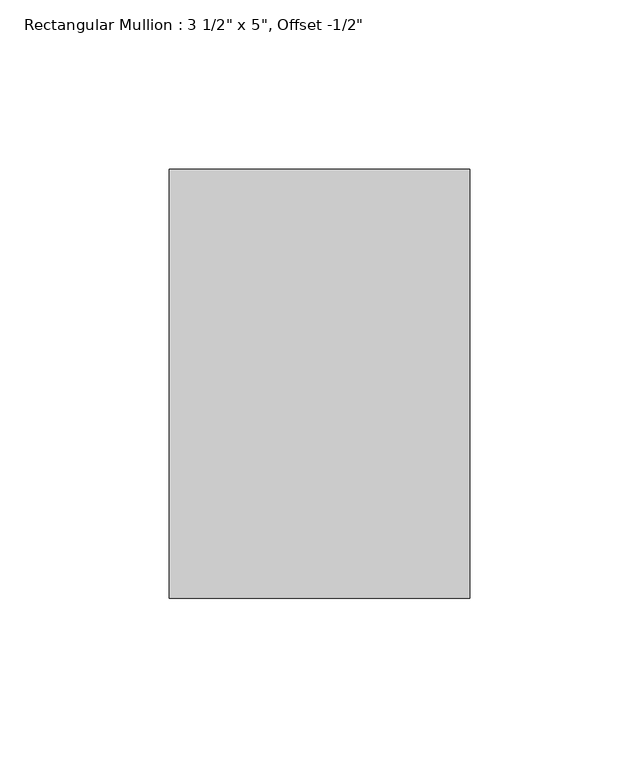
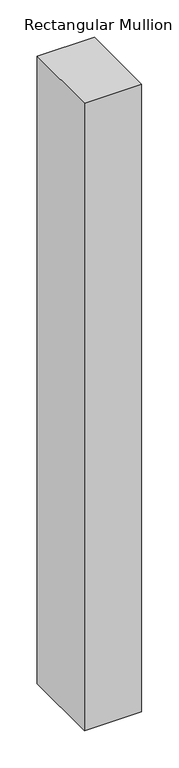
"""IFC4 building model written with IfcOpenShell, lengths in millimetres: member geometry."""

from ifc_helpers import new_model, si_unit, frame, origin, place, context, project, spatial, polyline, outline, extrude, source, transform, mapped, element, save


def member_286d6c0b(model_context):
    return source(origin(), model_context, "Body", "SweptSolid", [
        extrude(outline(polyline([(0.0, 76.2), (0.0, -50.8), (-88.9, -50.8), (-88.9, 76.2), (0.0, 76.2)])), frame((0.0, 0.0, -1028.7), z_axis=(0.0, 0.0, 1.0), x_axis=(1.0, 0.0, 0.0)), (0.0, 0.0, 1.0), 1028.7),
    ])


if __name__ == "__main__":
    model = new_model("IFC4")
    model_context = context("Model", 3, world=origin())
    ifc_project = project(units=[si_unit("LENGTHUNIT", "METRE", prefix="MILLI")], contexts=[model_context])
    site = spatial("IfcSite", under=ifc_project)
    building = spatial("IfcBuilding", under=site)
    placement = place(None, origin())
    member_shape = member_286d6c0b(model_context)
    element("IfcMember", 1, ObjectType="Rectangular Mullion : 3 1/2\" x 5\", Offset -1/2\"", at=placement, inside=building, context=model_context, shape_type="MappedRepresentation", body=[
        mapped(member_shape, transform((0.0, 0.0, 0.0), x_axis=(1.0, 0.0, 0.0), y_axis=(0.0, 1.0, 0.0), z_axis=(0.0, 0.0, 1.0))),
    ])
    save(model, "model.ifc")
